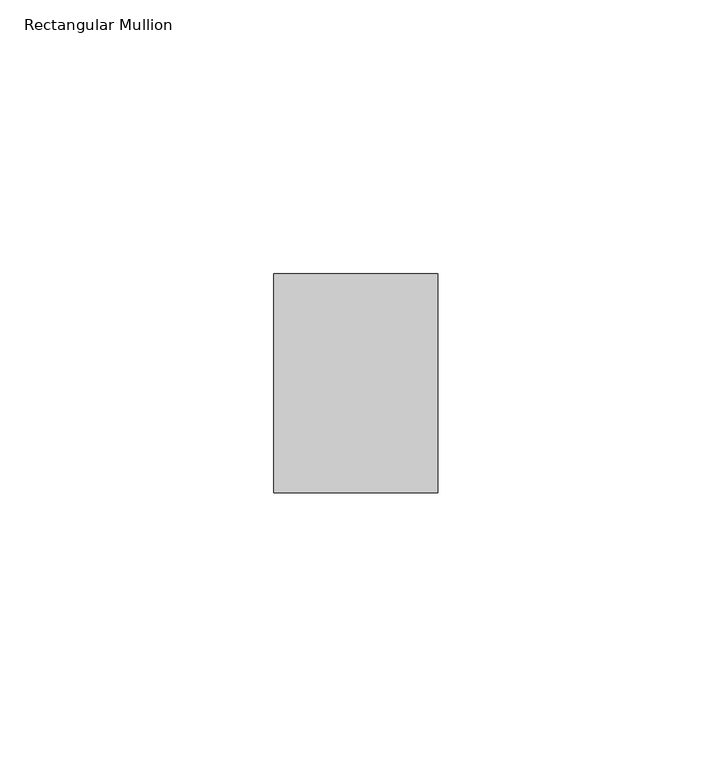
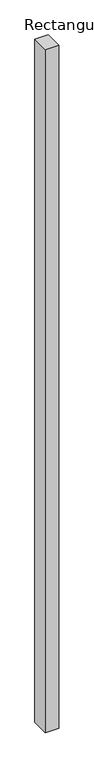
"""IFC4 building model written with IfcOpenShell, lengths in millimetres: member geometry, Rectangular Mullion."""

from ifc_helpers import new_model, si_unit, frame, origin, place, context, project, spatial, polyline, outline, extrude, source, transform, mapped, element, save


def rectangular_mullion_2ccb3ef3(model_context):
    return source(origin(), model_context, "Body", "SweptSolid", [
        extrude(outline(polyline([(0.0, 52.0), (0.0, 12.0), (-30.0, 12.0), (-30.0, 52.0), (0.0, 52.0)])), frame((0.0, 0.0, -1600.0000001), z_axis=(0.0, 0.0, 1.0), x_axis=(1.0, 0.0, 0.0)), (0.0, 0.0, 1.0), 1600.0000001),
    ])


if __name__ == "__main__":
    model = new_model("IFC4")
    model_context = context("Model", 3, world=origin())
    ifc_project = project(units=[si_unit("LENGTHUNIT", "METRE", prefix="MILLI")], contexts=[model_context])
    site = spatial("IfcSite", under=ifc_project)
    building = spatial("IfcBuilding", under=site)
    placement = place(None, origin())
    rectangular_mullion_shape = rectangular_mullion_2ccb3ef3(model_context)
    element("IfcMember", 1, ObjectType="Rectangular Mullion", at=placement, inside=building, context=model_context, shape_type="MappedRepresentation", body=[
        mapped(rectangular_mullion_shape, transform((0.0, 0.0, 0.0), x_axis=(1.0, 0.0, 0.0), y_axis=(0.0, 1.0, 0.0), z_axis=(0.0, 0.0, 1.0))),
    ])
    save(model, "model.ifc")
